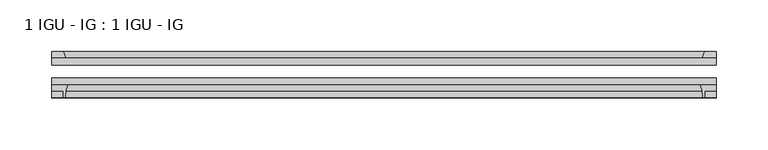
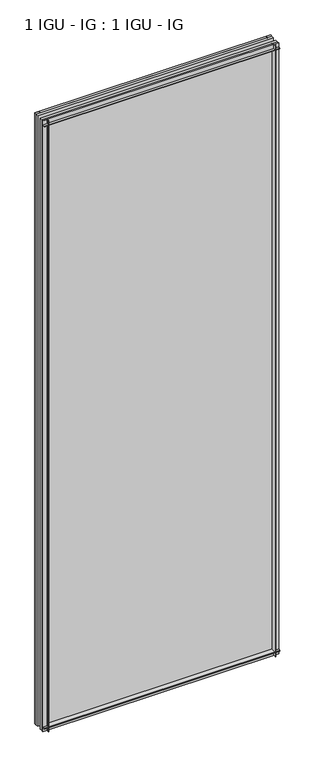
"""IFC4 building model written with IfcOpenShell, lengths in millimetres: plate geometry, 1 IGU - IG : 1 IGU - IG."""

import ifcopenshell
import ifcopenshell.guid

model = None  # the IFC model being written
_history = None  # IfcOwnerHistory: only IFC2X3 demands one
_inside = {}  # id of a spatial element -> (the spatial element, [elements in it])
_under = {}  # id of a project, library or spatial element -> (it, [spatial elements below it])
_declared = {}  # id of a project -> (the project, [libraries it declares])
_typed = {}  # id of a type object -> (the type object, [elements of that type])
_made_of = {}  # id of a material, layer set ... -> (it, [elements and type objects made of it])


def new_model(schema):
    """Start an empty IFC model of exactly this schema.

    Asked for "IFC4X3", IfcOpenShell would pick the latest addendum, in which some entities
    have other attributes; the version numbers below select the first issue.
    IFC2X3 requires an IfcOwnerHistory on every rooted entity: one is made here for all.
    """
    global model, _history
    if schema == "IFC4X3":
        model = ifcopenshell.file(schema_version=(4, 3, 0, 0))
    else:
        model = ifcopenshell.file(schema=schema)
    _inside.clear()
    _under.clear()
    _declared.clear()
    _typed.clear()
    _made_of.clear()
    _history = None
    if model.schema == "IFC2X3":
        org = make("IfcOrganization", Name="unknown")
        user = make(
            "IfcPersonAndOrganization",
            ThePerson=make("IfcPerson", FamilyName="unknown"),
            TheOrganization=org,
        )
        app = make(
            "IfcApplication",
            ApplicationDeveloper=org,
            Version="unknown",
            ApplicationFullName="unknown",
            ApplicationIdentifier="unknown",
        )
        _history = make(
            "IfcOwnerHistory",
            OwningUser=user,
            OwningApplication=app,
            ChangeAction="ADDED",
            CreationDate=0,
        )
    return model


def make(cls, **values):
    """One entity of the class cls with the attributes given. An attribute that is None is left unset."""
    return model.create_entity(
        cls, **{name: value for name, value in values.items() if value is not None}
    )


def rooted(cls, **values):
    """An entity with a GlobalId (a new one), such as an element, a storey or a relation."""
    return make(cls, GlobalId=ifcopenshell.guid.new(), OwnerHistory=_history, **values)


def si_unit(unit_type, name, prefix=None):
    """IfcSIUnit, for example si_unit("LENGTHUNIT", "METRE", prefix="MILLI")."""
    return make("IfcSIUnit", UnitType=unit_type, Prefix=prefix, Name=name)


def assignment(units):
    """IfcUnitAssignment: the units of a project."""
    return None if units is None else make("IfcUnitAssignment", Units=units)


def point(xyz):
    """IfcCartesianPoint."""
    return None if xyz is None else make("IfcCartesianPoint", Coordinates=xyz)


def direction(xyz):
    """IfcDirection."""
    return None if xyz is None else make("IfcDirection", DirectionRatios=xyz)


def frame(location, z_axis=None, x_axis=None):
    """IfcAxis2Placement3D, a coordinate frame: its origin and axes. An axis left out is left unset."""
    return make(
        "IfcAxis2Placement3D",
        Location=point(location),
        Axis=direction(z_axis),
        RefDirection=direction(x_axis),
    )


def frame_2d(location, x_axis=None):
    """IfcAxis2Placement2D, a coordinate frame in the plane: its origin and x axis."""
    return make(
        "IfcAxis2Placement2D", Location=point(location), RefDirection=direction(x_axis)
    )


def origin():
    """The frame at (0, 0, 0) with its axes left unset."""
    return frame((0.0, 0.0, 0.0))


def place(relative_to, where):
    """IfcLocalPlacement: puts the frame where relative to a parent placement (None: the world)."""
    return make(
        "IfcLocalPlacement", PlacementRelTo=relative_to, RelativePlacement=where
    )


def context(
    kind, dimensions, precision=None, world=None, true_north=None, identifier=None
):
    """IfcGeometricRepresentationContext, for example the 3D "Model" context."""
    return make(
        "IfcGeometricRepresentationContext",
        ContextIdentifier=identifier,
        ContextType=kind,
        CoordinateSpaceDimension=dimensions,
        Precision=precision,
        WorldCoordinateSystem=world,
        TrueNorth=true_north,
    )


def project(units=None, contexts=None):
    """IfcProject with its units and contexts."""
    return rooted(
        "IfcProject",
        Name="project",
        RepresentationContexts=contexts,
        UnitsInContext=assignment(units),
    )


def spatial(cls, under=None, at=None, **own):
    """A site, building, storey or space (cls), placed at a placement, below another one or the project."""
    s = rooted(cls, ObjectPlacement=at, **own)
    if under is not None:
        _under.setdefault(under.id(), (under, []))[1].append(s)
    return s


def polyline(points):
    """IfcPolyline through the points."""
    return make("IfcPolyline", Points=[point(p) for p in points])


def circle_curve(where, radius):
    """IfcCircle in the frame where."""
    return make("IfcCircle", Position=where, Radius=radius)


def trimmed(basis, trim1, trim2, sense, master):
    """IfcTrimmedCurve: the piece of a basis curve between two trims."""
    return make(
        "IfcTrimmedCurve",
        BasisCurve=basis,
        Trim1=trim1,
        Trim2=trim2,
        SenseAgreement=sense,
        MasterRepresentation=master,
    )


def segment(curve, same_sense, transition):
    """IfcCompositeCurveSegment."""
    return make(
        "IfcCompositeCurveSegment",
        Transition=transition,
        SameSense=same_sense,
        ParentCurve=curve,
    )


def composite_curve(segments, self_intersect=None):
    """IfcCompositeCurve: segments joined end to end."""
    return make("IfcCompositeCurve", Segments=segments, SelfIntersect=self_intersect)


def outline(outer, holes=None, kind="AREA"):
    """IfcArbitraryClosedProfileDef: a profile drawn as a closed curve; with holes, ...WithVoids."""
    if holes is None:
        return make("IfcArbitraryClosedProfileDef", ProfileType=kind, OuterCurve=outer)
    return make(
        "IfcArbitraryProfileDefWithVoids",
        ProfileType=kind,
        OuterCurve=outer,
        InnerCurves=holes,
    )


def extrude(swept, where, along, depth):
    """IfcExtrudedAreaSolid: the profile swept, set in the frame where, extruded along a direction by depth."""
    return make(
        "IfcExtrudedAreaSolid",
        SweptArea=swept,
        Position=where,
        ExtrudedDirection=direction(along),
        Depth=depth,
    )


def shape(context_of_items, identifier, shape_type, items):
    """IfcShapeRepresentation: the items that make up one representation, for example the "Body"."""
    return make(
        "IfcShapeRepresentation",
        ContextOfItems=context_of_items,
        RepresentationIdentifier=identifier,
        RepresentationType=shape_type,
        Items=items,
    )


def source(mapping_origin, context_of_items, identifier, shape_type, items):
    """IfcRepresentationMap: a shape defined once, which mapped items show again and again."""
    return make(
        "IfcRepresentationMap",
        MappingOrigin=mapping_origin,
        MappedRepresentation=shape(context_of_items, identifier, shape_type, items),
    )


def transform(
    local_origin,
    x_axis=None,
    y_axis=None,
    z_axis=None,
    scale=None,
    scale2=None,
    scale3=None,
    uniform=True,
):
    """IfcCartesianTransformationOperator3D, or its non-uniform kind. x_axis, y_axis, z_axis: its Axis1, 2, 3."""
    if uniform:
        return make(
            "IfcCartesianTransformationOperator3D",
            Axis1=direction(x_axis),
            Axis2=direction(y_axis),
            LocalOrigin=point(local_origin),
            Scale=scale,
            Axis3=direction(z_axis),
        )
    return make(
        "IfcCartesianTransformationOperator3DnonUniform",
        Axis1=direction(x_axis),
        Axis2=direction(y_axis),
        LocalOrigin=point(local_origin),
        Scale=scale,
        Axis3=direction(z_axis),
        Scale2=scale2,
        Scale3=scale3,
    )


def mapped(mapping_source, mapping_target):
    """IfcMappedItem: shows the shape of a source again, moved by a transform."""
    return make(
        "IfcMappedItem", MappingSource=mapping_source, MappingTarget=mapping_target
    )


def made_of(thing, what):
    """Note that an element or type object is made of a material, layer set ...; save() writes the relation."""
    if what is not None:
        _made_of.setdefault(what.id(), (what, []))[1].append(thing)
    return thing


def element(
    cls,
    number,
    at=None,
    inside=None,
    cuts=None,
    type_object=None,
    material=None,
    context=None,
    identifier="Body",
    shape_type=None,
    held_by="IfcProductDefinitionShape",
    body=None,
    shapes=None,
    **own,
):
    """One element of the class cls, such as IfcWall. Its Tag is "e" and its number.

    at: its placement. inside: the storey or other place that contains it. cuts: it is an
    opening in that element (IfcRelVoidsElement). A single representation is given by context,
    identifier, shape_type and body (its items); several are given by shapes. held_by: the class
    of the entity that holds the representations. save() writes the other relations.
    """
    e = rooted(cls, Tag="e%d" % number, ObjectPlacement=at, **own)
    if body is not None:
        shapes = [shape(context, identifier, shape_type, body)]
    if shapes is not None:
        e.Representation = make(held_by, Representations=shapes)
    if inside is not None:
        _inside.setdefault(inside.id(), (inside, []))[1].append(e)
    if cuts is not None:
        rooted(
            "IfcRelVoidsElement", RelatingBuildingElement=cuts, RelatedOpeningElement=e
        )
    if type_object is not None:
        _typed.setdefault(type_object.id(), (type_object, []))[1].append(e)
    return made_of(e, material)


def aggregate(whole, parts):
    """IfcRelAggregates: a whole, such as a stair, and the parts it consists of."""
    return rooted("IfcRelAggregates", RelatingObject=whole, RelatedObjects=parts)


def save(model, path):
    """Write the relations noted so far, then the file.

    IfcRelAggregates (storeys below a building ...), IfcRelContainedInSpatialStructure (elements
    in a storey), IfcRelDefinesByType, IfcRelAssociatesMaterial and IfcRelDeclares: one each for
    every whole, place, type object, material and project.
    """
    for whole, parts in _under.values():
        aggregate(whole, parts)
    for where, things in _inside.values():
        rooted(
            "IfcRelContainedInSpatialStructure",
            RelatedElements=things,
            RelatingStructure=where,
        )
    for kind, things in _typed.values():
        rooted("IfcRelDefinesByType", RelatedObjects=things, RelatingType=kind)
    for what, things in _made_of.values():
        rooted("IfcRelAssociatesMaterial", RelatedObjects=things, RelatingMaterial=what)
    for by, libraries in _declared.values():
        rooted("IfcRelDeclares", RelatingContext=by, RelatedDefinitions=libraries)
    model.write(path)


def plate_1_igu_ig_1_igu_ig_da9b3285(model_context):
    return source(origin(), model_context, "Body", "SweptSolid", [
        extrude(outline(polyline([(339.3839068, -31.75), (339.3839068, -38.1), (-301.2839068, -38.1), (-301.2839068, -31.75), (339.3839068, -31.75)])), frame((0.0, 0.0, -11.1125), z_axis=(0.0, 0.0, 1.0), x_axis=(1.0, 0.0, 0.0)), (0.0, 0.0, 1.0), 1755.775),
        extrude(outline(polyline([(-301.2839068, -12.7), (339.3839068, -12.7), (339.3839068, -19.05), (-301.2839068, -19.05), (-301.2839068, -12.7)])), frame((0.0, 0.0, -11.1125), z_axis=(0.0, 0.0, 1.0), x_axis=(1.0, 0.0, 0.0)), (0.0, 0.0, 1.0), 1755.775),
        extrude(outline(composite_curve([segment(polyline([(-301.2839068, -38.1), (-285.9902275, -38.1)]), True, "CONTINUOUS"), segment(trimmed(circle_curve(frame_2d((-242.7312112, -53.3794536)), 45.8781451), [point((-285.9902275, -38.1))], [point((-288.491464, -50.0925922))], True, "CARTESIAN"), True, "CONTINUOUS"), segment(trimmed(circle_curve(frame_2d((-289.2515059, -50.038)), 0.762), [point((-288.491464, -50.0925922))], [point((-289.2515059, -50.8))], False, "CARTESIAN"), True, "CONTINUOUS"), segment(polyline([(-289.2515059, -50.8), (-290.1714068, -50.8), (-290.1714068, -44.45), (-301.2839068, -44.45), (-301.2839068, -38.1)]), True, "CONTINUOUS")], self_intersect=False)), frame((0.0, 0.0, -11.1125), z_axis=(0.0, 0.0, 1.0), x_axis=(1.0, 0.0, 0.0)), (0.0, 0.0, 1.0), 1755.775),
        extrude(outline(polyline([(-288.0661297, -12.7), (-301.2839068, -12.7), (-301.2839068, -6.35), (-290.1714068, -6.35), (-288.0661297, -12.7)])), frame((0.0, 0.0, -11.1125), z_axis=(0.0, 0.0, 1.0), x_axis=(1.0, 0.0, 0.0)), (0.0, 0.0, 1.0), 1755.775),
        extrude(outline(polyline([(339.3839068, -12.7), (326.1661297, -12.7), (328.2714068, -6.35), (339.3839068, -6.35), (339.3839068, -12.7)])), frame((0.0, 0.0, -11.1125), z_axis=(0.0, 0.0, 1.0), x_axis=(1.0, 0.0, 0.0)), (0.0, 0.0, 1.0), 1755.775),
        extrude(outline(composite_curve([segment(polyline([(324.0902275, -38.1), (339.3839068, -38.1), (339.3839068, -44.45), (328.2714068, -44.45), (328.2714068, -50.8), (327.3515059, -50.8)]), True, "CONTINUOUS"), segment(trimmed(circle_curve(frame_2d((327.3515059, -50.038)), 0.762), [point((327.3515059, -50.8))], [point((326.591464, -50.0925922))], False, "CARTESIAN"), True, "CONTINUOUS"), segment(trimmed(circle_curve(frame_2d((280.8312112, -53.3794536)), 45.8781451), [point((326.591464, -50.0925922))], [point((324.0902275, -38.1))], True, "CARTESIAN"), True, "CONTINUOUS")], self_intersect=False)), frame((0.0, 0.0, -11.1125), z_axis=(0.0, 0.0, 1.0), x_axis=(1.0, 0.0, 0.0)), (0.0, 0.0, 1.0), 1755.775),
        extrude(outline(polyline([(-12.7, -11.1125), (-12.7, 2.1052771), (-6.35, 0.0), (-6.35, -11.1125), (-12.7, -11.1125)])), frame((-301.2839068, 0.0, 0.0), z_axis=(1.0, 0.0, 0.0), x_axis=(0.0, 1.0, 0.0)), (0.0, 0.0, 1.0), 640.6678136),
        extrude(outline(composite_curve([segment(polyline([(-38.1, 4.1811793), (-38.1, -11.1125), (-44.45, -11.1125), (-44.45, 0.0), (-50.8, 0.0), (-50.8, 0.9199009)]), True, "CONTINUOUS"), segment(trimmed(circle_curve(frame_2d((-50.038, 0.9199009)), 0.762), [point((-50.8, 0.9199009))], [point((-50.0925922, 1.6799428))], False, "CARTESIAN"), True, "CONTINUOUS"), segment(trimmed(circle_curve(frame_2d((-53.3794536, 47.4401956)), 45.8781451), [point((-50.0925922, 1.6799428))], [point((-38.1, 4.1811793))], True, "CARTESIAN"), True, "CONTINUOUS")], self_intersect=False)), frame((-301.2839068, 0.0, 0.0), z_axis=(1.0, 0.0, 0.0), x_axis=(0.0, 1.0, 0.0)), (0.0, 0.0, 1.0), 640.6678136),
        extrude(outline(polyline([(-6.35, 1733.55), (-12.7, 1731.4447229), (-12.7, 1744.6625), (-6.35, 1744.6625), (-6.35, 1733.55)])), frame((-301.2839068, 0.0, 0.0), z_axis=(1.0, 0.0, 0.0), x_axis=(0.0, 1.0, 0.0)), (0.0, 0.0, 1.0), 640.6678136),
        extrude(outline(composite_curve([segment(polyline([(-38.1, 1744.6625), (-38.1, 1729.3688207)]), True, "CONTINUOUS"), segment(trimmed(circle_curve(frame_2d((-53.3794536, 1686.1098044)), 45.8781451), [point((-38.1, 1729.3688207))], [point((-50.0925922, 1731.8700572))], True, "CARTESIAN"), True, "CONTINUOUS"), segment(trimmed(circle_curve(frame_2d((-50.038, 1732.6300991)), 0.762), [point((-50.0925922, 1731.8700572))], [point((-50.8, 1732.6300991))], False, "CARTESIAN"), True, "CONTINUOUS"), segment(polyline([(-50.8, 1732.6300991), (-50.8, 1733.55), (-44.45, 1733.55), (-44.45, 1744.6625), (-38.1, 1744.6625)]), True, "CONTINUOUS")], self_intersect=False)), frame((-301.2839068, 0.0, 0.0), z_axis=(1.0, 0.0, 0.0), x_axis=(0.0, 1.0, 0.0)), (0.0, 0.0, 1.0), 640.6678136),
    ])


if __name__ == "__main__":
    model = new_model("IFC4")
    model_context = context("Model", 3, world=origin())
    ifc_project = project(units=[si_unit("LENGTHUNIT", "METRE", prefix="MILLI")], contexts=[model_context])
    site = spatial("IfcSite", under=ifc_project)
    building = spatial("IfcBuilding", under=site)
    placement = place(None, origin())
    plate_1_igu_ig_1_igu_ig_shape = plate_1_igu_ig_1_igu_ig_da9b3285(model_context)
    element("IfcPlate", 1, ObjectType="1 IGU - IG : 1 IGU - IG", at=placement, inside=building, context=model_context, shape_type="MappedRepresentation", body=[
        mapped(plate_1_igu_ig_1_igu_ig_shape, transform((0.0, 0.0, 0.0), x_axis=(1.0, 0.0, 0.0), y_axis=(0.0, 1.0, 0.0), z_axis=(0.0, 0.0, 1.0))),
    ])
    save(model, "model.ifc")
